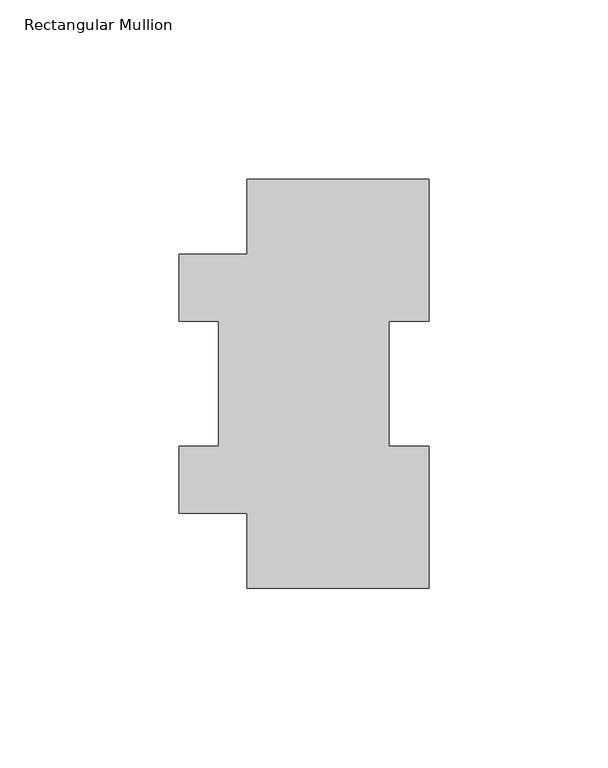
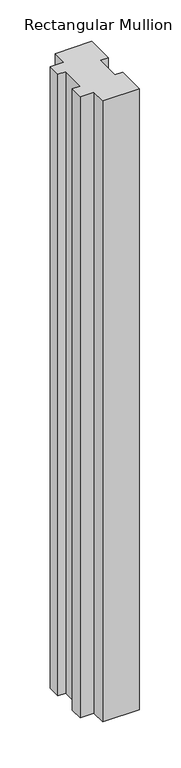
"""IFC4 building model written with IfcOpenShell, lengths in millimetres: member geometry, Rectangular Mullion."""

from ifc_helpers import new_model, si_unit, frame, origin, place, context, project, spatial, polyline, outline, extrude, source, transform, mapped, element, save


def rectangular_mullion_79677848(model_context):
    return source(origin(), model_context, "Body", "SweptSolid", [
        extrude(outline(polyline([(25.3999997, 114.271425), (25.3999997, 74.596625), (14.2874997, 74.596625), (14.2874997, 39.646225), (25.3999997, 39.646225), (25.3999997, -0.028575), (-25.4000003, -0.028575), (-25.4000003, 20.977225), (-44.4500003, 20.977225), (-44.4500003, 39.646225), (-33.3375003, 39.646225), (-33.3375003, 74.596625), (-44.4500003, 74.596625), (-44.4500003, 93.265625), (-25.4000003, 93.265625), (-25.4000003, 114.271425), (25.3999997, 114.271425)])), frame((0.0, 0.0, -914.4), z_axis=(0.0, 0.0, 1.0), x_axis=(1.0, 0.0, 0.0)), (0.0, 0.0, 1.0), 914.4),
    ])


if __name__ == "__main__":
    model = new_model("IFC4")
    model_context = context("Model", 3, world=origin())
    ifc_project = project(units=[si_unit("LENGTHUNIT", "METRE", prefix="MILLI")], contexts=[model_context])
    site = spatial("IfcSite", under=ifc_project)
    building = spatial("IfcBuilding", under=site)
    placement = place(None, origin())
    rectangular_mullion_shape = rectangular_mullion_79677848(model_context)
    element("IfcMember", 1, ObjectType="Rectangular Mullion", at=placement, inside=building, context=model_context, shape_type="MappedRepresentation", body=[
        mapped(rectangular_mullion_shape, transform((0.0, 0.0, 0.0), x_axis=(1.0, 0.0, 0.0), y_axis=(0.0, 1.0, 0.0), z_axis=(0.0, 0.0, 1.0))),
    ])
    save(model, "model.ifc")
